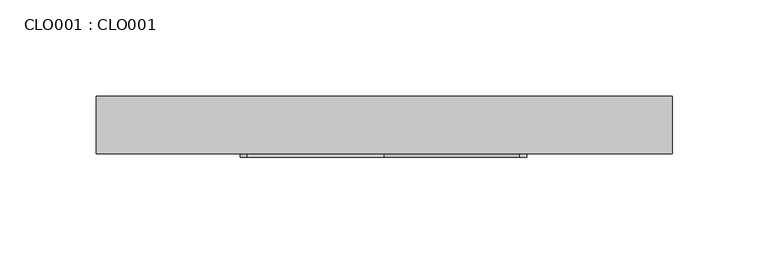
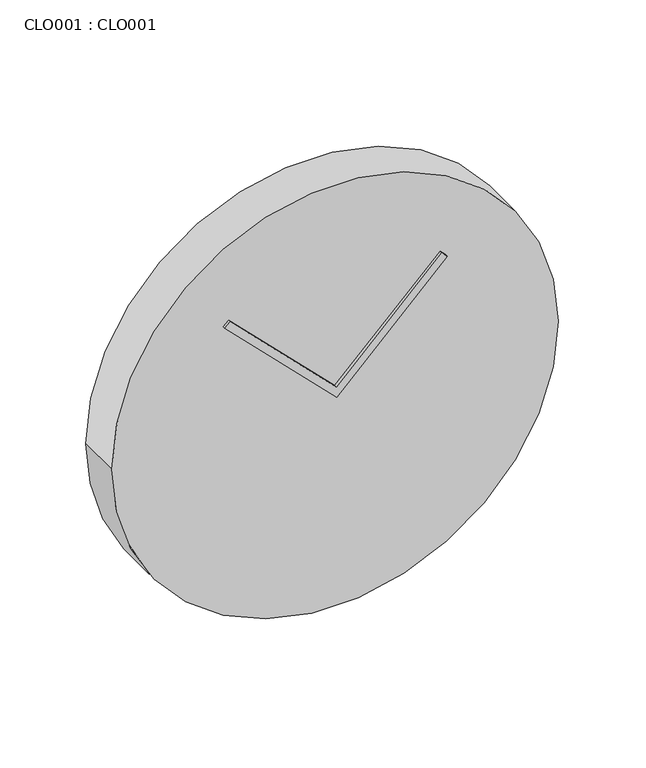
"""IFC4 building model written with IfcOpenShell, lengths in millimetres: proxy geometry, CLO001 : CLO001."""

from ifc_helpers import new_model, si_unit, point, frame, origin, origin_2d, place, context, project, spatial, polyline, circle_curve, trimmed, segment, composite_curve, outline, extrude, source, transform, mapped, element, save


def clo001_clo001_0bb12287(model_context):
    return source(origin(), model_context, "Body", "SweptSolid", [
        extrude(outline(polyline([(78.5355339, -71.4644661), (75.0, -75.0), (0.0, 0.0), (74.246212, 74.246212), (77.7817459, 70.7106781), (7.0710678, 0.0), (78.5355339, -71.4644661)])), frame((0.0, -32.0, 0.0), z_axis=(0.0, 1.0, 0.0), x_axis=(0.0, 0.0, 1.0)), (0.0, 0.0, 1.0), 2.0),
        extrude(outline(composite_curve([segment(trimmed(circle_curve(origin_2d(), 150.0), [point((0.0, -150.0))], [point((0.0, 150.0))], False, "CARTESIAN"), True, "CONTINUOUS"), segment(trimmed(circle_curve(origin_2d(), 150.0), [point((0.0, 150.0))], [point((0.0, -150.0))], False, "CARTESIAN"), True, "CONTINUOUS")], self_intersect=False)), frame((0.0, -30.0, 0.0), z_axis=(0.0, 1.0, 0.0), x_axis=(0.0, 0.0, 1.0)), (0.0, 0.0, 1.0), 30.0),
    ])


if __name__ == "__main__":
    model = new_model("IFC4")
    model_context = context("Model", 3, world=origin())
    ifc_project = project(units=[si_unit("LENGTHUNIT", "METRE", prefix="MILLI")], contexts=[model_context])
    site = spatial("IfcSite", under=ifc_project)
    building = spatial("IfcBuilding", under=site)
    placement = place(None, origin())
    clo001_clo001_shape = clo001_clo001_0bb12287(model_context)
    element("IfcBuildingElementProxy", 1, Name="CLO001 : CLO001", ObjectType="CLO001 : CLO001", at=placement, inside=building, context=model_context, shape_type="MappedRepresentation", body=[
        mapped(clo001_clo001_shape, transform((0.0, 0.0, 0.0), x_axis=(1.0, 0.0, 0.0), y_axis=(0.0, 1.0, 0.0), z_axis=(0.0, 0.0, 1.0))),
    ])
    save(model, "model.ifc")
